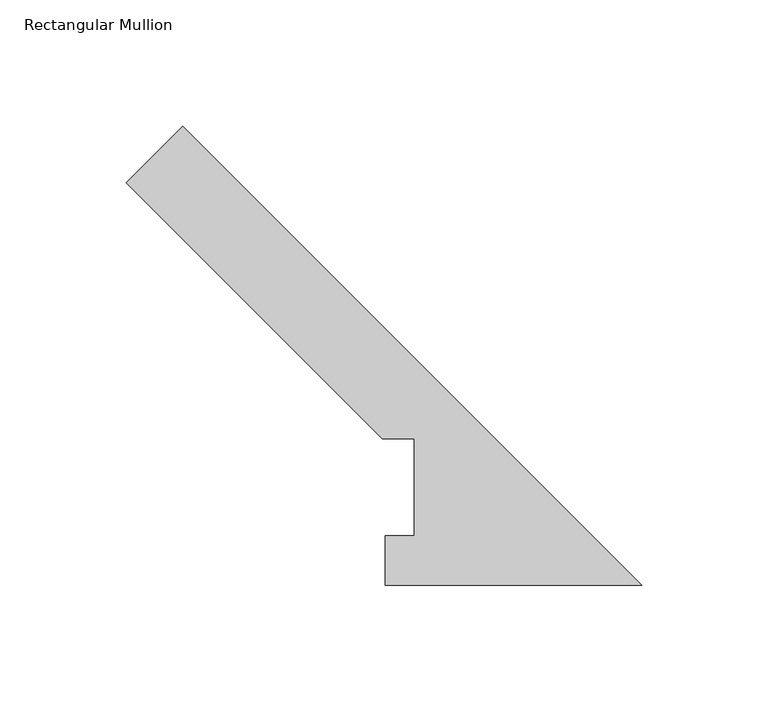
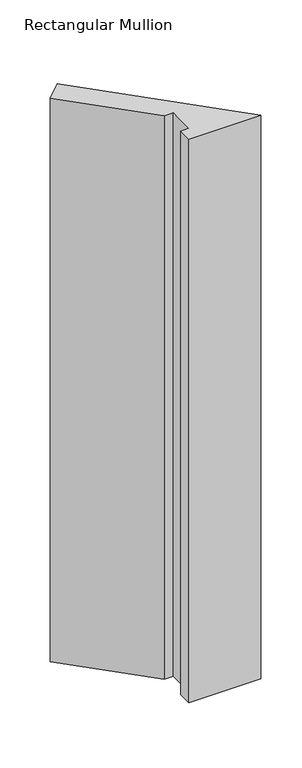
"""IFC4 building model written with IfcOpenShell, lengths in millimetres: member geometry, Rectangular Mullion."""

from ifc_helpers import new_model, si_unit, frame, origin, place, context, project, spatial, polyline, outline, extrude, source, transform, mapped, element, save


def rectangular_mullion_7e7b23ef(model_context):
    return source(origin(), model_context, "Body", "SweptSolid", [
        extrude(outline(polyline([(-101.7012192, 0.0356074), (-101.7012192, 19.5682074), (-90.1094233, 19.5682074), (-90.1094233, 57.94375), (-102.8094233, 57.94375), (-204.2794598, 159.4137865), (-181.8288194, 181.8644268), (0.0, 0.0356074), (-101.7012192, 0.0356074)])), frame((0.0, 0.0, -838.2), z_axis=(0.0, 0.0, 1.0), x_axis=(1.0, 0.0, 0.0)), (0.0, 0.0, 1.0), 838.2),
    ])


if __name__ == "__main__":
    model = new_model("IFC4")
    model_context = context("Model", 3, world=origin())
    ifc_project = project(units=[si_unit("LENGTHUNIT", "METRE", prefix="MILLI")], contexts=[model_context])
    site = spatial("IfcSite", under=ifc_project)
    building = spatial("IfcBuilding", under=site)
    placement = place(None, origin())
    rectangular_mullion_shape = rectangular_mullion_7e7b23ef(model_context)
    element("IfcMember", 1, ObjectType="Rectangular Mullion", at=placement, inside=building, context=model_context, shape_type="MappedRepresentation", body=[
        mapped(rectangular_mullion_shape, transform((0.0, 0.0, 0.0), x_axis=(1.0, 0.0, 0.0), y_axis=(0.0, 1.0, 0.0), z_axis=(0.0, 0.0, 1.0))),
    ])
    save(model, "model.ifc")
